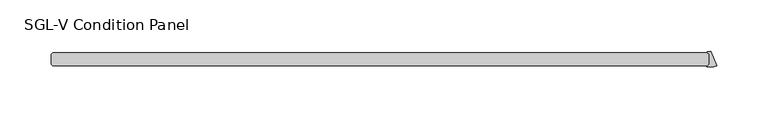
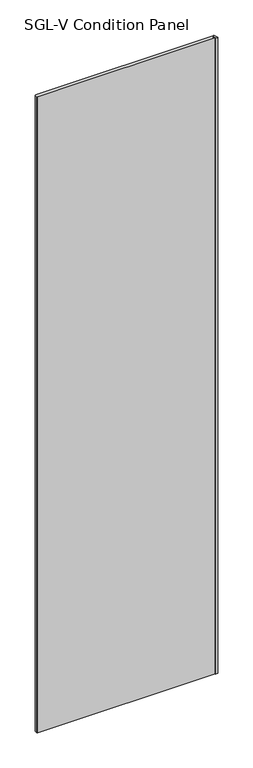
"""IFC4 building model written with IfcOpenShell, lengths in millimetres: plate geometry, SGL-V Condition Panel."""

from ifc_helpers import new_model, si_unit, point, frame_2d, origin, origin_with_axes, place, context, project, spatial, polyline, circle_curve, trimmed, segment, composite_curve, outline, extrude, source, transform, mapped, element, save


def sgl_v_condition_panel_357a4760(model_context):
    return source(origin(), model_context, "Body", "SweptSolid", [
        extrude(outline(composite_curve([segment(polyline([(324.8343416, -25.4), (323.1278746, -23.6935331)]), True, "CONTINUOUS"), segment(trimmed(circle_curve(frame_2d((323.4085076, -23.4129)), 0.396875), [point((323.1278746, -23.6935331))], [point((323.4004278, -23.0161073))], False, "CARTESIAN"), True, "CONTINUOUS"), segment(trimmed(circle_curve(frame_2d((323.2331067, -14.799085)), 8.2187257), [point((323.4004278, -23.0161073))], [point((326.3782769, -22.3921974))], True, "CARTESIAN"), True, "CONTINUOUS"), segment(polyline([(326.3782769, -22.3921974), (332.2252356, -36.5080045)]), True, "CONTINUOUS"), segment(trimmed(circle_curve(frame_2d((325.462995, -20.1825115)), 17.6705863), [point((332.2252356, -36.5080045))], [point((322.9799997, -37.6777781))], False, "CARTESIAN"), True, "CONTINUOUS"), segment(trimmed(circle_curve(frame_2d((323.0357669, -37.2848407)), 0.396875), [point((322.9799997, -37.6777781))], [point((322.7551339, -37.0042077))], False, "CARTESIAN"), True, "CONTINUOUS"), segment(polyline([(322.7551339, -37.0042077), (324.8343416, -34.925), (324.8343416, -25.4)]), True, "CONTINUOUS")], self_intersect=False)), origin_with_axes(), (0.0, 0.0, 1.0), 2417.075),
        extrude(outline(polyline([(323.2468416, -36.5125), (-315.515625, -36.5125), (-317.103125, -34.925), (-317.103125, -25.4), (-315.515625, -23.8125), (323.2468416, -23.8125), (324.8343416, -25.4), (324.8343416, -34.925), (323.2468416, -36.5125)])), origin_with_axes(), (0.0, 0.0, 1.0), 2417.075),
    ])


if __name__ == "__main__":
    model = new_model("IFC4")
    model_context = context("Model", 3, world=origin())
    ifc_project = project(units=[si_unit("LENGTHUNIT", "METRE", prefix="MILLI")], contexts=[model_context])
    site = spatial("IfcSite", under=ifc_project)
    building = spatial("IfcBuilding", under=site)
    placement = place(None, origin())
    sgl_v_condition_panel_shape = sgl_v_condition_panel_357a4760(model_context)
    element("IfcPlate", 1, ObjectType="SGL-V Condition Panel", at=placement, inside=building, context=model_context, shape_type="MappedRepresentation", body=[
        mapped(sgl_v_condition_panel_shape, transform((0.0, 0.0, 0.0), x_axis=(1.0, 0.0, 0.0), y_axis=(0.0, 1.0, 0.0), z_axis=(0.0, 0.0, 1.0))),
    ])
    save(model, "model.ifc")
